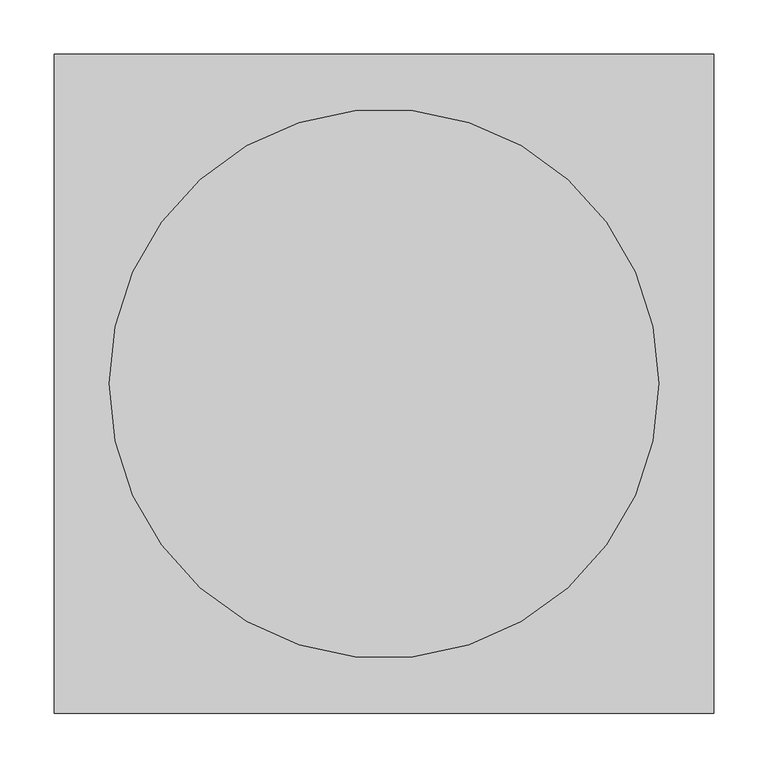
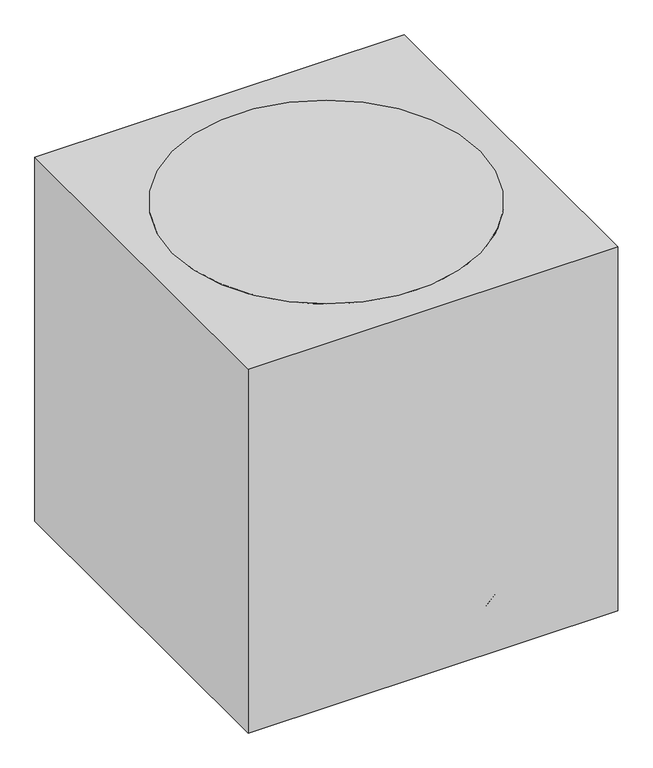
"""IFC4 building model written with IfcOpenShell, lengths in millimetres: proxy geometry."""

from ifc_helpers import new_model, si_unit, point, frame, frame_2d, origin, origin_with_axes, origin_2d, place, context, project, spatial, polyline, circle_curve, trimmed, segment, composite_curve, outline, extrude, source, transform, mapped, element, save


def specialty_equipment_4e63f546(model_context):
    return source(origin(), model_context, "Body", "SweptSolid", [
        extrude(outline(composite_curve([segment(trimmed(circle_curve(origin_2d(), 254.0), [point((-254.0, 0.0))], [point((254.0, 0.0))], False, "CARTESIAN"), True, "CONTINUOUS"), segment(trimmed(circle_curve(origin_2d(), 254.0), [point((254.0, 0.0))], [point((-254.0, 0.0))], False, "CARTESIAN"), True, "CONTINUOUS")], self_intersect=False)), frame((0.0, 0.0, 584.2), z_axis=(0.0, 0.0, 1.0), x_axis=(1.0, 0.0, 0.0)), (0.0, 0.0, 1.0), 50.8),
        extrude(outline(composite_curve([segment(trimmed(circle_curve(frame_2d((0.0, -25.7612183)), 25.7612183), [point((0.0, -51.5224365))], [point((0.0, 0.0))], False, "CARTESIAN"), True, "CONTINUOUS"), segment(trimmed(circle_curve(frame_2d((0.0, -25.7612183)), 25.7612183), [point((0.0, 0.0))], [point((0.0, -51.5224365))], False, "CARTESIAN"), True, "CONTINUOUS")], self_intersect=False)), frame((203.8559823, 49.544861, 25.7612183), z_axis=(-0.3090169943748919, 0.9510565162951716, 0.0), x_axis=(0.0, 0.0, -1.0)), (0.0, 0.0, 1.0), 31.75),
        extrude(outline(composite_curve([segment(polyline([(-57.1058784, 0.0), (-0.678315, 0.0)]), True, "CONTINUOUS"), segment(trimmed(circle_curve(frame_2d((-28.8920968, 0.0)), 28.2137817), [point((-0.678315, 0.0))], [point((-57.1058784, 0.0))], False, "CARTESIAN"), True, "CONTINUOUS")], self_intersect=False)), frame((256.8155026, 63.4140597, 25.7612183), z_axis=(-0.30901699437489183, 0.9510565162951716, 0.0), x_axis=(0.9510565162951716, 0.30901699437489183, 0.0)), (0.0, 0.0, 1.0), 38.1),
        extrude(outline(composite_curve([segment(trimmed(circle_curve(frame_2d((223.4509477, 72.6028121)), 3.5091751), [point((222.3665529, 75.940236))], [point((224.5353424, 69.2653883))], False, "CARTESIAN"), True, "CONTINUOUS"), segment(trimmed(circle_curve(frame_2d((223.4509477, 72.6028121)), 3.5091751), [point((224.5353424, 69.2653883))], [point((222.3665529, 75.940236))], False, "CARTESIAN"), True, "CONTINUOUS")], self_intersect=False)), frame((0.0, 0.0, 53.975), z_axis=(0.0, 0.0, 1.0), x_axis=(1.0, 0.0, 0.0)), (0.0, 0.0, 1.0), 13.49375),
        extrude(outline(polyline([(230.0293313, 68.0638809), (25.3978935, 1.5750963), (21.4736172, 13.6527769), (226.105055, 80.1415615), (230.0293313, 68.0638809)])), frame((0.0, 0.0, 67.46875), z_axis=(0.0, 0.0, 1.0), x_axis=(1.0, 0.0, 0.0)), (0.0, 0.0, 1.0), 50.8),
        extrude(outline(composite_curve([segment(trimmed(circle_curve(frame_2d((0.0, -25.7612182)), 25.7612183), [point((0.0, -51.5224365))], [point((0.0, 0.0))], False, "CARTESIAN"), True, "CONTINUOUS"), segment(trimmed(circle_curve(frame_2d((0.0, -25.7612182)), 25.7612183), [point((0.0, 0.0))], [point((0.0, -51.5224365))], False, "CARTESIAN"), True, "CONTINUOUS")], self_intersect=False)), frame((110.1149259, -178.5683563, 25.7612183), z_axis=(0.8090169943749846, 0.5877852522924221, 0.0), x_axis=(0.0, 0.0, -1.0)), (0.0, 0.0, 1.0), 31.75),
        extrude(outline(composite_curve([segment(polyline([(-57.1058785, 0.0), (-0.6783149, 0.0)]), True, "CONTINUOUS"), segment(trimmed(circle_curve(frame_2d((-28.8920966, 0.0)), 28.2137817), [point((-0.6783149, 0.0))], [point((-57.1058785, 0.0))], False, "CARTESIAN"), True, "CONTINUOUS")], self_intersect=False)), frame((139.6707094, -224.6500351, 25.7612183), z_axis=(0.8090169943749845, 0.5877852522924222, 0.0), x_axis=(0.5877852522924222, -0.8090169943749845, 0.0)), (0.0, 0.0, 1.0), 38.1),
        extrude(outline(composite_curve([segment(trimmed(circle_curve(frame_2d((138.0995178, -190.0789771)), 3.5091751), [point((140.9385001, -188.0163357))], [point((135.2605355, -192.1416185))], False, "CARTESIAN"), True, "CONTINUOUS"), segment(trimmed(circle_curve(frame_2d((138.0995178, -190.0789771)), 3.5091751), [point((135.2605355, -192.1416185))], [point((140.9385001, -188.0163357))], False, "CARTESIAN"), True, "CONTINUOUS")], self_intersect=False)), frame((0.0, 0.0, 53.975), z_axis=(0.0, 0.0, 1.0), x_axis=(1.0, 0.0, 0.0)), (0.0, 0.0, 1.0), 13.49375),
        extrude(outline(polyline([(135.81557, -197.7379985), (9.3463863, -23.6681006), (19.620275, -16.2036835), (146.0894588, -190.2735815), (135.81557, -197.7379985)])), frame((0.0, 0.0, 67.46875), z_axis=(0.0, 0.0, 1.0), x_axis=(1.0, 0.0, 0.0)), (0.0, 0.0, 1.0), 50.8),
        extrude(outline(composite_curve([segment(trimmed(circle_curve(frame_2d((0.0, -25.7612182)), 25.7612183), [point((0.0, -51.5224365))], [point((0.0, 0.0))], False, "CARTESIAN"), True, "CONTINUOUS"), segment(trimmed(circle_curve(frame_2d((0.0, -25.7612182)), 25.7612183), [point((0.0, 0.0))], [point((0.0, -51.5224365))], False, "CARTESIAN"), True, "CONTINUOUS")], self_intersect=False)), frame((-110.1149259, -178.5683563, 25.7612183), z_axis=(-0.8090169943749151, 0.5877852522925178, 0.0), x_axis=(0.0, 0.0, 1.0)), (0.0, 0.0, 1.0), 31.75),
        extrude(outline(composite_curve([segment(trimmed(circle_curve(frame_2d((28.8920966, 0.0)), 28.2137817), [point((57.1058785, 0.0))], [point((0.6783149, 0.0))], False, "CARTESIAN"), True, "CONTINUOUS"), segment(polyline([(0.6783149, 0.0), (57.1058785, 0.0)]), True, "CONTINUOUS")], self_intersect=False)), frame((-139.6707094, -224.6500351, 25.7612183), z_axis=(-0.809016994374915, 0.5877852522925177, 0.0), x_axis=(0.5877852522925177, 0.809016994374915, 0.0)), (0.0, 0.0, 1.0), 38.1),
        extrude(outline(composite_curve([segment(trimmed(circle_curve(frame_2d((-138.1007518, -190.0780805)), 3.5091751), [point((-135.2617695, -192.1407219))], [point((-140.9397341, -188.0154391))], False, "CARTESIAN"), True, "CONTINUOUS"), segment(trimmed(circle_curve(frame_2d((-138.1007518, -190.0780805)), 3.5091751), [point((-140.9397341, -188.0154391))], [point((-135.2617695, -192.1407219))], False, "CARTESIAN"), True, "CONTINUOUS")], self_intersect=False)), frame((0.0, 0.0, 53.975), z_axis=(0.0, 0.0, 1.0), x_axis=(1.0, 0.0, 0.0)), (0.0, 0.0, 1.0), 13.49375),
        extrude(outline(polyline([(-146.0906928, -190.2726849), (-19.6215091, -16.2027869), (-9.3476203, -23.667204), (-135.8168041, -197.737102), (-146.0906928, -190.2726849)])), frame((0.0, 0.0, 67.46875), z_axis=(0.0, 0.0, 1.0), x_axis=(1.0, 0.0, 0.0)), (0.0, 0.0, 1.0), 50.8),
        extrude(outline(composite_curve([segment(trimmed(circle_curve(frame_2d((0.0, -25.7612183)), 25.7612183), [point((0.0, -51.5224365))], [point((0.0, 0.0))], False, "CARTESIAN"), True, "CONTINUOUS"), segment(trimmed(circle_curve(frame_2d((0.0, -25.7612183)), 25.7612183), [point((0.0, 0.0))], [point((0.0, -51.5224365))], False, "CARTESIAN"), True, "CONTINUOUS")], self_intersect=False)), frame((-203.8559823, 49.544861, 25.7612183), z_axis=(0.3090169943749793, 0.9510565162951433, 0.0), x_axis=(0.0, 0.0, 1.0)), (0.0, 0.0, 1.0), 31.75),
        extrude(outline(composite_curve([segment(trimmed(circle_curve(frame_2d((28.8920968, 0.0)), 28.2137817), [point((57.1058784, 0.0))], [point((0.678315, 0.0))], False, "CARTESIAN"), True, "CONTINUOUS"), segment(polyline([(0.678315, 0.0), (57.1058784, 0.0)]), True, "CONTINUOUS")], self_intersect=False)), frame((-256.8155026, 63.4140597, 25.7612183), z_axis=(0.3090169943749793, 0.9510565162951433, 0.0), x_axis=(0.9510565162951433, -0.3090169943749793, 0.0)), (0.0, 0.0, 1.0), 38.1),
        extrude(outline(composite_curve([segment(trimmed(circle_curve(frame_2d((-223.4504763, 72.6042628)), 3.5091751), [point((-224.5348711, 69.266839))], [point((-222.3660816, 75.9416867))], False, "CARTESIAN"), True, "CONTINUOUS"), segment(trimmed(circle_curve(frame_2d((-223.4504763, 72.6042628)), 3.5091751), [point((-222.3660816, 75.9416867))], [point((-224.5348711, 69.266839))], False, "CARTESIAN"), True, "CONTINUOUS")], self_intersect=False)), frame((0.0, 0.0, 53.975), z_axis=(0.0, 0.0, 1.0), x_axis=(1.0, 0.0, 0.0)), (0.0, 0.0, 1.0), 13.49375),
        extrude(outline(polyline([(-226.1045836, 80.1430121), (-21.4731458, 13.6542275), (-25.3974221, 1.576547), (-230.0288599, 68.0653316), (-226.1045836, 80.1430121)])), frame((0.0, 0.0, 67.46875), z_axis=(0.0, 0.0, 1.0), x_axis=(1.0, 0.0, 0.0)), (0.0, 0.0, 1.0), 50.8),
        extrude(outline(composite_curve([segment(trimmed(circle_curve(frame_2d((234.9499827, 25.7612183)), 25.7612183), [point((260.7112009, 25.7612183))], [point((209.1887644, 25.7612183))], False, "CARTESIAN"), True, "CONTINUOUS"), segment(trimmed(circle_curve(frame_2d((234.9499827, 25.7612183)), 25.7612183), [point((209.1887644, 25.7612183))], [point((260.7112009, 25.7612183))], False, "CARTESIAN"), True, "CONTINUOUS")], self_intersect=False)), frame((-15.875, 0.0, 0.0), z_axis=(1.0, 0.0, 0.0), x_axis=(0.0, 1.0, 0.0)), (0.0, 0.0, 1.0), 31.75),
        extrude(outline(composite_curve([segment(trimmed(circle_curve(frame_2d((234.9499827, 25.7612183)), 28.2137817), [point((206.7362009, 25.7612183))], [point((263.1637644, 25.7612183))], False, "CARTESIAN"), True, "CONTINUOUS"), segment(polyline([(263.1637644, 25.7612183), (206.7362009, 25.7612183)]), True, "CONTINUOUS")], self_intersect=False)), frame((-19.05, 0.0, 0.0), z_axis=(1.0, 0.0, 0.0), x_axis=(0.0, 1.0, 0.0)), (0.0, 0.0, 1.0), 38.1),
        extrude(outline(composite_curve([segment(trimmed(circle_curve(frame_2d((0.0007627, 234.9499827)), 3.5091751), [point((-3.5084124, 234.9499827))], [point((3.5099378, 234.9499827))], False, "CARTESIAN"), True, "CONTINUOUS"), segment(trimmed(circle_curve(frame_2d((0.0007627, 234.9499827)), 3.5091751), [point((3.5099378, 234.9499827))], [point((-3.5084124, 234.9499827))], False, "CARTESIAN"), True, "CONTINUOUS")], self_intersect=False)), frame((0.0, 0.0, 53.975), z_axis=(0.0, 0.0, 1.0), x_axis=(1.0, 0.0, 0.0)), (0.0, 0.0, 1.0), 13.49375),
        extrude(outline(polyline([(6.3503751, 239.8037904), (6.3503751, 24.6415636), (-6.3488498, 24.6415636), (-6.3488498, 239.8037904), (6.3503751, 239.8037904)])), frame((0.0, 0.0, 67.46875), z_axis=(0.0, 0.0, 1.0), x_axis=(1.0, 0.0, 0.0)), (0.0, 0.0, 1.0), 50.8),
        extrude(outline(composite_curve([segment(trimmed(circle_curve(origin_2d(), 25.4466483), [point((-25.4466483, 0.0))], [point((25.4466483, 0.0))], False, "CARTESIAN"), True, "CONTINUOUS"), segment(trimmed(circle_curve(origin_2d(), 25.4466483), [point((25.4466483, 0.0))], [point((-25.4466483, 0.0))], False, "CARTESIAN"), True, "CONTINUOUS")], self_intersect=False)), frame((0.0, 0.0, 67.46875), z_axis=(0.0, 0.0, 1.0), x_axis=(1.0, 0.0, 0.0)), (0.0, 0.0, 1.0), 516.73125),
        extrude(outline(polyline([(304.8, 304.8), (304.8, -304.8), (-304.8, -304.8), (-304.8, 304.8), (304.8, 304.8)])), origin_with_axes(), (0.0, 0.0, 1.0), 635.0),
    ])


if __name__ == "__main__":
    model = new_model("IFC4")
    model_context = context("Model", 3, world=origin())
    ifc_project = project(units=[si_unit("LENGTHUNIT", "METRE", prefix="MILLI")], contexts=[model_context])
    site = spatial("IfcSite", under=ifc_project)
    building = spatial("IfcBuilding", under=site)
    placement = place(None, origin())
    specialty_equipment_shape = specialty_equipment_4e63f546(model_context)
    element("IfcBuildingElementProxy", 1, Name="Specialty Equipment", at=placement, inside=building, context=model_context, shape_type="MappedRepresentation", body=[
        mapped(specialty_equipment_shape, transform((0.0, 0.0, 0.0), x_axis=(1.0, 0.0, 0.0), y_axis=(0.0, 1.0, 0.0), z_axis=(0.0, 0.0, 1.0))),
    ])
    save(model, "model.ifc")
